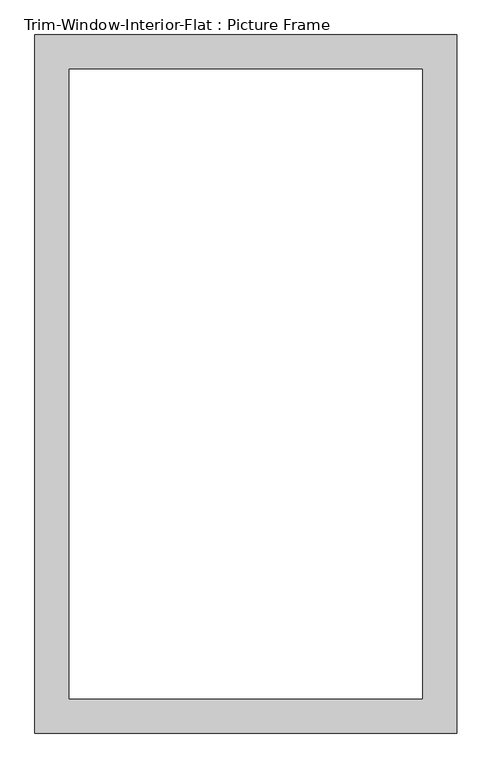
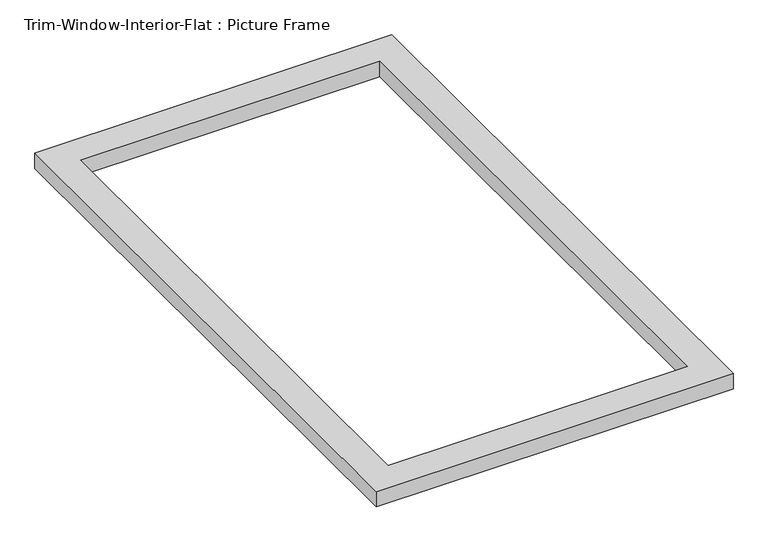
"""IFC4 building model written with IfcOpenShell, lengths in millimetres: proxy geometry, Trim-Window-Interior-Flat : Picture Frame."""

from ifc_helpers import new_model, si_unit, origin, origin_with_axes, place, context, project, spatial, polyline, outline, extrude, source, transform, mapped, element, save


def trim_window_interior_flat_picture_frame_e9fd5f45(model_context):
    return source(origin(), model_context, "Body", "SweptSolid", [
        extrude(outline(polyline([(349.25, 44.45), (349.25, -1111.25), (-349.25, -1111.25), (-349.25, 44.45), (349.25, 44.45)]), holes=[polyline([(292.1, -12.7), (-292.1, -12.7), (-292.1, -1054.1), (292.1, -1054.1), (292.1, -12.7)])]), origin_with_axes(), (0.0, 0.0, 1.0), 31.75),
    ])


if __name__ == "__main__":
    model = new_model("IFC4")
    model_context = context("Model", 3, world=origin())
    ifc_project = project(units=[si_unit("LENGTHUNIT", "METRE", prefix="MILLI")], contexts=[model_context])
    site = spatial("IfcSite", under=ifc_project)
    building = spatial("IfcBuilding", under=site)
    placement = place(None, origin())
    trim_window_interior_flat_picture_frame_shape = trim_window_interior_flat_picture_frame_e9fd5f45(model_context)
    element("IfcBuildingElementProxy", 1, Name="Trim-Window-Interior-Flat : Picture Frame", ObjectType="Trim-Window-Interior-Flat : Picture Frame", at=placement, inside=building, context=model_context, shape_type="MappedRepresentation", body=[
        mapped(trim_window_interior_flat_picture_frame_shape, transform((0.0, 0.0, 0.0), x_axis=(1.0, 0.0, 0.0), y_axis=(0.0, 1.0, 0.0), z_axis=(0.0, 0.0, 1.0))),
    ])
    save(model, "model.ifc")
